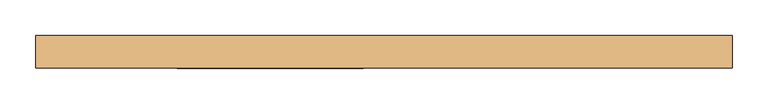
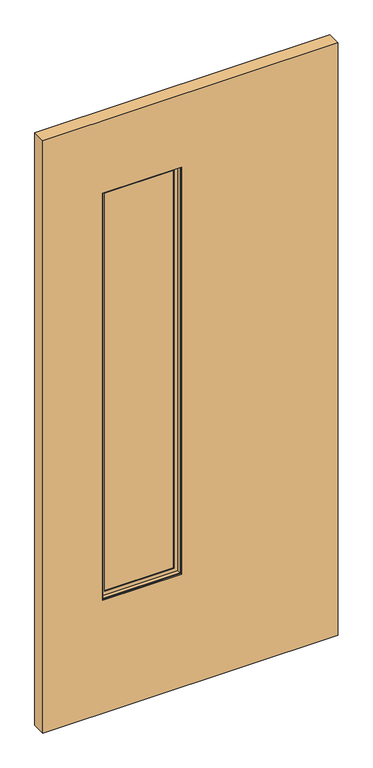
"""IFC4 building model written with IfcOpenShell, lengths in millimetres: door geometry."""

import ifcopenshell
import ifcopenshell.guid

model = None  # the IFC model being written
_history = None  # IfcOwnerHistory: only IFC2X3 demands one
_inside = {}  # id of a spatial element -> (the spatial element, [elements in it])
_under = {}  # id of a project, library or spatial element -> (it, [spatial elements below it])
_declared = {}  # id of a project -> (the project, [libraries it declares])
_typed = {}  # id of a type object -> (the type object, [elements of that type])
_made_of = {}  # id of a material, layer set ... -> (it, [elements and type objects made of it])


def new_model(schema):
    """Start an empty IFC model of exactly this schema.

    Asked for "IFC4X3", IfcOpenShell would pick the latest addendum, in which some entities
    have other attributes; the version numbers below select the first issue.
    IFC2X3 requires an IfcOwnerHistory on every rooted entity: one is made here for all.
    """
    global model, _history
    if schema == "IFC4X3":
        model = ifcopenshell.file(schema_version=(4, 3, 0, 0))
    else:
        model = ifcopenshell.file(schema=schema)
    _inside.clear()
    _under.clear()
    _declared.clear()
    _typed.clear()
    _made_of.clear()
    _history = None
    if model.schema == "IFC2X3":
        org = make("IfcOrganization", Name="unknown")
        user = make(
            "IfcPersonAndOrganization",
            ThePerson=make("IfcPerson", FamilyName="unknown"),
            TheOrganization=org,
        )
        app = make(
            "IfcApplication",
            ApplicationDeveloper=org,
            Version="unknown",
            ApplicationFullName="unknown",
            ApplicationIdentifier="unknown",
        )
        _history = make(
            "IfcOwnerHistory",
            OwningUser=user,
            OwningApplication=app,
            ChangeAction="ADDED",
            CreationDate=0,
        )
    return model


def make(cls, **values):
    """One entity of the class cls with the attributes given. An attribute that is None is left unset."""
    return model.create_entity(
        cls, **{name: value for name, value in values.items() if value is not None}
    )


def rooted(cls, **values):
    """An entity with a GlobalId (a new one), such as an element, a storey or a relation."""
    return make(cls, GlobalId=ifcopenshell.guid.new(), OwnerHistory=_history, **values)


def si_unit(unit_type, name, prefix=None):
    """IfcSIUnit, for example si_unit("LENGTHUNIT", "METRE", prefix="MILLI")."""
    return make("IfcSIUnit", UnitType=unit_type, Prefix=prefix, Name=name)


def assignment(units):
    """IfcUnitAssignment: the units of a project."""
    return None if units is None else make("IfcUnitAssignment", Units=units)


def point(xyz):
    """IfcCartesianPoint."""
    return None if xyz is None else make("IfcCartesianPoint", Coordinates=xyz)


def direction(xyz):
    """IfcDirection."""
    return None if xyz is None else make("IfcDirection", DirectionRatios=xyz)


def frame(location, z_axis=None, x_axis=None):
    """IfcAxis2Placement3D, a coordinate frame: its origin and axes. An axis left out is left unset."""
    return make(
        "IfcAxis2Placement3D",
        Location=point(location),
        Axis=direction(z_axis),
        RefDirection=direction(x_axis),
    )


def origin():
    """The frame at (0, 0, 0) with its axes left unset."""
    return frame((0.0, 0.0, 0.0))


def place(relative_to, where):
    """IfcLocalPlacement: puts the frame where relative to a parent placement (None: the world)."""
    return make(
        "IfcLocalPlacement", PlacementRelTo=relative_to, RelativePlacement=where
    )


def context(
    kind, dimensions, precision=None, world=None, true_north=None, identifier=None
):
    """IfcGeometricRepresentationContext, for example the 3D "Model" context."""
    return make(
        "IfcGeometricRepresentationContext",
        ContextIdentifier=identifier,
        ContextType=kind,
        CoordinateSpaceDimension=dimensions,
        Precision=precision,
        WorldCoordinateSystem=world,
        TrueNorth=true_north,
    )


def project(units=None, contexts=None):
    """IfcProject with its units and contexts."""
    return rooted(
        "IfcProject",
        Name="project",
        RepresentationContexts=contexts,
        UnitsInContext=assignment(units),
    )


def spatial(cls, under=None, at=None, **own):
    """A site, building, storey or space (cls), placed at a placement, below another one or the project."""
    s = rooted(cls, ObjectPlacement=at, **own)
    if under is not None:
        _under.setdefault(under.id(), (under, []))[1].append(s)
    return s


def polyline(points):
    """IfcPolyline through the points."""
    return make("IfcPolyline", Points=[point(p) for p in points])


def outline(outer, holes=None, kind="AREA"):
    """IfcArbitraryClosedProfileDef: a profile drawn as a closed curve; with holes, ...WithVoids."""
    if holes is None:
        return make("IfcArbitraryClosedProfileDef", ProfileType=kind, OuterCurve=outer)
    return make(
        "IfcArbitraryProfileDefWithVoids",
        ProfileType=kind,
        OuterCurve=outer,
        InnerCurves=holes,
    )


def extrude(swept, where, along, depth):
    """IfcExtrudedAreaSolid: the profile swept, set in the frame where, extruded along a direction by depth."""
    return make(
        "IfcExtrudedAreaSolid",
        SweptArea=swept,
        Position=where,
        ExtrudedDirection=direction(along),
        Depth=depth,
    )


def faces_of(points, faces, orient=None, outer=None):
    """IfcFace entities. A face is a list of loops; a loop is a list of indices into points, from 0.

    orient and outer hold one flag for each loop. By default every Orientation is true, the
    first loop of a face is its IfcFaceOuterBound and the others are IfcFaceBound.
    """
    made = []
    for i, loops in enumerate(faces):
        bounds = []
        for j, loop in enumerate(loops):
            is_outer = j == 0 if outer is None else outer[i][j]
            bounds.append(
                make(
                    "IfcFaceOuterBound" if is_outer else "IfcFaceBound",
                    Bound=make("IfcPolyLoop", Polygon=[points[k] for k in loop]),
                    Orientation=True if orient is None else orient[i][j],
                )
            )
        made.append(make("IfcFace", Bounds=bounds))
    return made


def faceted_brep(points, faces, orient=None, outer=None, voids=None):
    """IfcFacetedBrep: a solid bounded by flat faces; with voids (closed shells), ...WithVoids."""
    shared = [point(p) for p in points]
    hull = make("IfcClosedShell", CfsFaces=faces_of(shared, faces, orient, outer))
    if voids is None:
        return make("IfcFacetedBrep", Outer=hull)
    return make(
        "IfcFacetedBrepWithVoids",
        Outer=hull,
        Voids=[
            make(cls, CfsFaces=faces_of(shared, fs, o, b)) for cls, fs, o, b in voids
        ],
    )


def shape(context_of_items, identifier, shape_type, items):
    """IfcShapeRepresentation: the items that make up one representation, for example the "Body"."""
    return make(
        "IfcShapeRepresentation",
        ContextOfItems=context_of_items,
        RepresentationIdentifier=identifier,
        RepresentationType=shape_type,
        Items=items,
    )


def source(mapping_origin, context_of_items, identifier, shape_type, items):
    """IfcRepresentationMap: a shape defined once, which mapped items show again and again."""
    return make(
        "IfcRepresentationMap",
        MappingOrigin=mapping_origin,
        MappedRepresentation=shape(context_of_items, identifier, shape_type, items),
    )


def transform(
    local_origin,
    x_axis=None,
    y_axis=None,
    z_axis=None,
    scale=None,
    scale2=None,
    scale3=None,
    uniform=True,
):
    """IfcCartesianTransformationOperator3D, or its non-uniform kind. x_axis, y_axis, z_axis: its Axis1, 2, 3."""
    if uniform:
        return make(
            "IfcCartesianTransformationOperator3D",
            Axis1=direction(x_axis),
            Axis2=direction(y_axis),
            LocalOrigin=point(local_origin),
            Scale=scale,
            Axis3=direction(z_axis),
        )
    return make(
        "IfcCartesianTransformationOperator3DnonUniform",
        Axis1=direction(x_axis),
        Axis2=direction(y_axis),
        LocalOrigin=point(local_origin),
        Scale=scale,
        Axis3=direction(z_axis),
        Scale2=scale2,
        Scale3=scale3,
    )


def mapped(mapping_source, mapping_target):
    """IfcMappedItem: shows the shape of a source again, moved by a transform."""
    return make(
        "IfcMappedItem", MappingSource=mapping_source, MappingTarget=mapping_target
    )


def made_of(thing, what):
    """Note that an element or type object is made of a material, layer set ...; save() writes the relation."""
    if what is not None:
        _made_of.setdefault(what.id(), (what, []))[1].append(thing)
    return thing


def element(
    cls,
    number,
    at=None,
    inside=None,
    cuts=None,
    type_object=None,
    material=None,
    context=None,
    identifier="Body",
    shape_type=None,
    held_by="IfcProductDefinitionShape",
    body=None,
    shapes=None,
    **own,
):
    """One element of the class cls, such as IfcWall. Its Tag is "e" and its number.

    at: its placement. inside: the storey or other place that contains it. cuts: it is an
    opening in that element (IfcRelVoidsElement). A single representation is given by context,
    identifier, shape_type and body (its items); several are given by shapes. held_by: the class
    of the entity that holds the representations. save() writes the other relations.
    """
    e = rooted(cls, Tag="e%d" % number, ObjectPlacement=at, **own)
    if body is not None:
        shapes = [shape(context, identifier, shape_type, body)]
    if shapes is not None:
        e.Representation = make(held_by, Representations=shapes)
    if inside is not None:
        _inside.setdefault(inside.id(), (inside, []))[1].append(e)
    if cuts is not None:
        rooted(
            "IfcRelVoidsElement", RelatingBuildingElement=cuts, RelatedOpeningElement=e
        )
    if type_object is not None:
        _typed.setdefault(type_object.id(), (type_object, []))[1].append(e)
    return made_of(e, material)


def aggregate(whole, parts):
    """IfcRelAggregates: a whole, such as a stair, and the parts it consists of."""
    return rooted("IfcRelAggregates", RelatingObject=whole, RelatedObjects=parts)


def save(model, path):
    """Write the relations noted so far, then the file.

    IfcRelAggregates (storeys below a building ...), IfcRelContainedInSpatialStructure (elements
    in a storey), IfcRelDefinesByType, IfcRelAssociatesMaterial and IfcRelDeclares: one each for
    every whole, place, type object, material and project.
    """
    for whole, parts in _under.values():
        aggregate(whole, parts)
    for where, things in _inside.values():
        rooted(
            "IfcRelContainedInSpatialStructure",
            RelatedElements=things,
            RelatingStructure=where,
        )
    for kind, things in _typed.values():
        rooted("IfcRelDefinesByType", RelatedObjects=things, RelatingType=kind)
    for what, things in _made_of.values():
        rooted("IfcRelAssociatesMaterial", RelatedObjects=things, RelatingMaterial=what)
    for by, libraries in _declared.values():
        rooted("IfcRelDeclares", RelatingContext=by, RelatedDefinitions=libraries)
    model.write(path)


def door_55623d40(model_context):
    return source(origin(), model_context, "Body", "SolidModel", [
        extrude(outline(polyline([(-29.4464326, -3.175), (-291.0664326, -3.175), (-291.0664326, 3.175), (-29.4464326, 3.175), (-29.4464326, -3.175)])), frame((0.0, 0.0, 409.9435027), z_axis=(0.0, 0.0, 1.0), x_axis=(1.0, 0.0, 0.0)), (0.0, 0.0, 1.0), 1430.02),
        faceted_brep([(-275.1758536, 3.797467, 1824.0729238), (-275.1758536, 3.797467, 425.8340817), (-275.1758536, 6.9755828, 425.8340817), (-275.1758536, 6.9755828, 1824.0729238), (-45.3370115, 3.797467, 425.8340817), (-45.3370115, 6.9755828, 425.8340817), (-32.6245484, 6.9755828, 413.1216185), (-287.8883168, 6.9755828, 413.1216185), (-287.8883168, 6.9755828, 1836.7853869), (-32.6245484, 6.9755828, 1836.7853869), (-45.3370115, 6.9755828, 1824.0729238), (-45.3370115, 3.797467, 1824.0729238), (-291.0664326, 3.797467, 409.9435027), (-29.4464326, 3.797467, 409.9435027), (-29.4464326, 3.797467, 1839.9635027), (-291.0664326, 3.797467, 1839.9635027), (-291.0664326, 19.688046, 1839.9635027), (-291.0664326, 19.688046, 409.9435027), (-29.4464326, 19.688046, 409.9435027), (-29.4464326, 19.688046, 1839.9635027), (-287.8883168, 19.688046, 413.1216185), (-32.6245484, 19.688046, 413.1216185), (-32.6245484, 19.688046, 1836.7853869), (-287.8883168, 19.688046, 1836.7853869)], [[[0, 1, 2, 3]], [[1, 4, 5, 2]], [[6, 7, 8, 9], [2, 5, 10, 3]], [[4, 11, 10, 5]], [[12, 13, 14, 15], [4, 1, 0, 11]], [[16, 17, 12, 15]], [[17, 18, 13, 12]], [[18, 19, 14, 13]], [[18, 17, 16, 19], [20, 21, 22, 23]], [[8, 7, 20, 23]], [[7, 6, 21, 20]], [[6, 9, 22, 21]], [[11, 0, 3, 10]], [[19, 16, 15, 14]], [[9, 8, 23, 22]]]),
        faceted_brep([(-287.8883168, -19.688046, 1836.7853869), (-287.8883168, -19.688046, 413.1216185), (-287.8883168, -6.9755828, 413.1216185), (-287.8883168, -6.9755828, 1836.7853869), (-32.6245484, -19.688046, 413.1216185), (-32.6245484, -6.9755828, 413.1216185), (-32.6245484, -6.9755828, 1836.7853869), (-45.3370115, -6.9755828, 425.8340817), (-275.1758536, -6.9755828, 425.8340817), (-275.1758536, -6.9755828, 1824.0729238), (-45.3370115, -6.9755828, 1824.0729238), (-32.6245484, -19.688046, 1836.7853869), (-291.0664326, -19.688046, 409.9435027), (-29.4464326, -19.688046, 409.9435027), (-29.4464326, -19.688046, 1839.9635027), (-291.0664326, -19.688046, 1839.9635027), (-291.0664326, -3.797467, 1839.9635027), (-291.0664326, -3.797467, 409.9435027), (-29.4464326, -3.797467, 409.9435027), (-29.4464326, -3.797467, 1839.9635027), (-275.1758536, -3.797467, 425.8340817), (-45.3370115, -3.797467, 425.8340817), (-45.3370115, -3.797467, 1824.0729238), (-275.1758536, -3.797467, 1824.0729238)], [[[0, 1, 2, 3]], [[1, 4, 5, 2]], [[2, 5, 6, 3], [7, 8, 9, 10]], [[4, 11, 6, 5]], [[12, 13, 14, 15], [4, 1, 0, 11]], [[16, 17, 12, 15]], [[17, 18, 13, 12]], [[18, 19, 14, 13]], [[18, 17, 16, 19], [20, 21, 22, 23]], [[9, 8, 20, 23]], [[8, 7, 21, 20]], [[7, 10, 22, 21]], [[11, 0, 3, 6]], [[19, 16, 15, 14]], [[10, 9, 23, 22]]]),
        extrude(outline(polyline([(2093.9635027, -490.4564326), (12.7, -490.4564326), (12.7, 490.4564326), (2093.9635027, 490.4564326), (2093.9635027, -490.4564326)]), holes=[polyline([(1839.9635027, -29.4464326), (409.9435027, -29.4464326), (409.9435027, -291.0664326), (1839.9635027, -291.0664326), (1839.9635027, -29.4464326)])]), frame((0.0, -23.114, 0.0), z_axis=(0.0, 1.0, 0.0), x_axis=(0.0, 0.0, 1.0)), (0.0, 0.0, 1.0), 46.228),
        extrude(outline(polyline([(465.0564326, 9.8925062), (-465.0564326, 9.8925062), (-465.0564326, 11.4927062), (465.0564326, 11.4927062), (465.0564326, 9.8925062)])), frame((0.0, 0.0, 12.7), z_axis=(0.0, 0.0, 1.0), x_axis=(1.0, 0.0, 0.0)), (0.0, 0.0, 1.0), 254.0),
        extrude(outline(polyline([(465.0564326, 21.5634094), (-465.0564326, 21.5634094), (-465.0564326, 23.114), (465.0564326, 23.114), (465.0564326, 21.5634094)])), frame((0.0, 0.0, 12.7), z_axis=(0.0, 0.0, 1.0), x_axis=(1.0, 0.0, 0.0)), (0.0, 0.0, 1.0), 254.0),
    ])


if __name__ == "__main__":
    model = new_model("IFC4")
    model_context = context("Model", 3, world=origin())
    ifc_project = project(units=[si_unit("LENGTHUNIT", "METRE", prefix="MILLI")], contexts=[model_context])
    site = spatial("IfcSite", under=ifc_project)
    building = spatial("IfcBuilding", under=site)
    placement = place(None, origin())
    door_shape = door_55623d40(model_context)
    element("IfcDoor", 1, at=placement, inside=building, context=model_context, shape_type="MappedRepresentation", body=[
        mapped(door_shape, transform((0.0, 0.0, 0.0), x_axis=(1.0, 0.0, 0.0), y_axis=(0.0, 1.0, 0.0), z_axis=(0.0, 0.0, 1.0))),
    ])
    save(model, "model.ifc")
